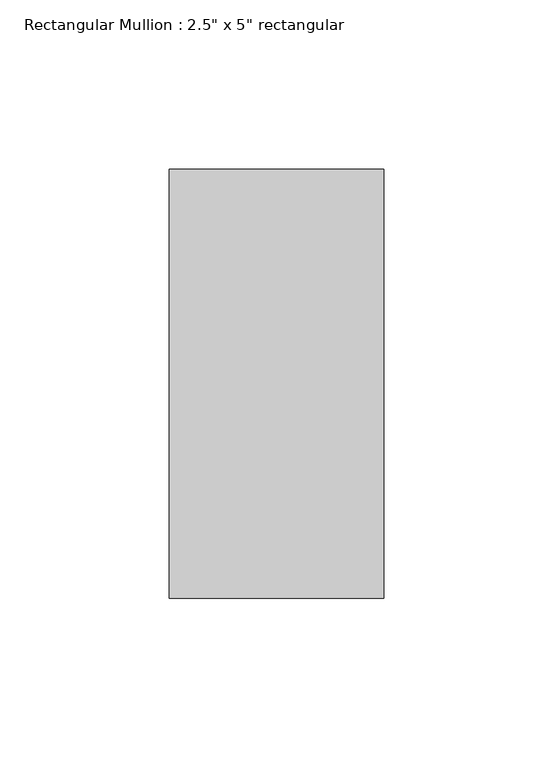
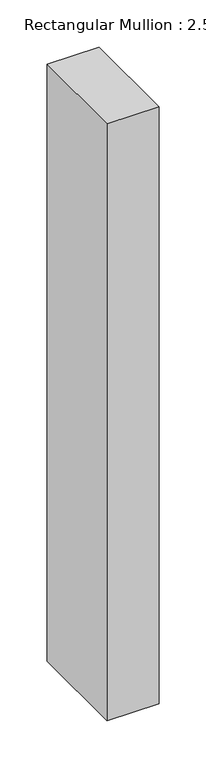
"""IFC4 building model written with IfcOpenShell, lengths in millimetres: member geometry."""

from ifc_helpers import new_model, si_unit, frame, origin, place, context, project, spatial, polyline, outline, extrude, source, transform, mapped, element, save


def member_64a1f1e8(model_context):
    return source(origin(), model_context, "Body", "SweptSolid", [
        extrude(outline(polyline([(31.75, 63.5), (31.75, -63.5), (-31.75, -63.5), (-31.75, 63.5), (31.75, 63.5)])), frame((0.0, 0.0, -771.5993457), z_axis=(0.0, 0.0, 1.0), x_axis=(1.0, 0.0, 0.0)), (0.0, 0.0, 1.0), 771.5993457),
    ])


if __name__ == "__main__":
    model = new_model("IFC4")
    model_context = context("Model", 3, world=origin())
    ifc_project = project(units=[si_unit("LENGTHUNIT", "METRE", prefix="MILLI")], contexts=[model_context])
    site = spatial("IfcSite", under=ifc_project)
    building = spatial("IfcBuilding", under=site)
    placement = place(None, origin())
    member_shape = member_64a1f1e8(model_context)
    element("IfcMember", 1, ObjectType="Rectangular Mullion : 2.5\" x 5\" rectangular", at=placement, inside=building, context=model_context, shape_type="MappedRepresentation", body=[
        mapped(member_shape, transform((0.0, 0.0, 0.0), x_axis=(1.0, 0.0, 0.0), y_axis=(0.0, 1.0, 0.0), z_axis=(0.0, 0.0, 1.0))),
    ])
    save(model, "model.ifc")
